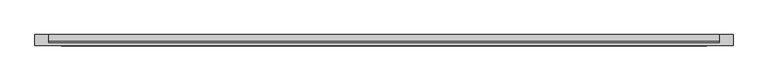
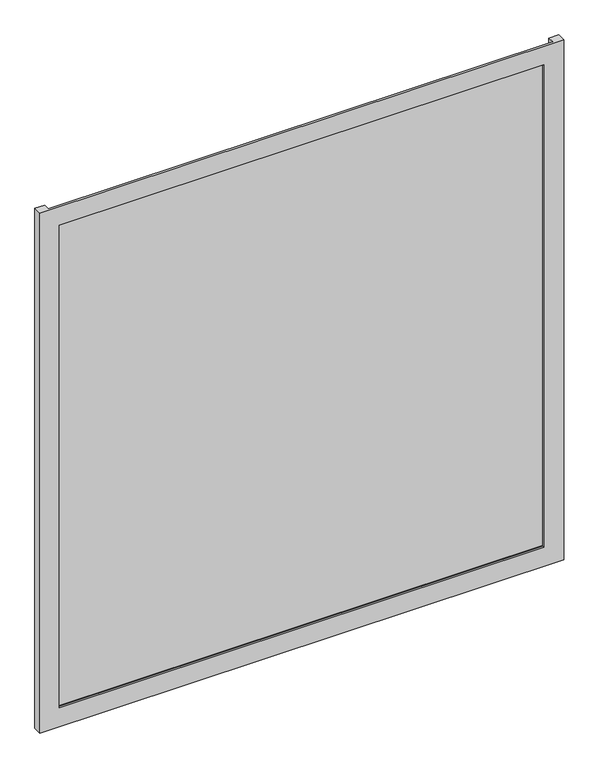
"""IFC4 building model written with IfcOpenShell, lengths in millimetres: plate geometry."""

from ifc_helpers import new_model, si_unit, origin, origin_with_axes, place, context, project, spatial, polyline, outline, extrude, faceted_brep, source, transform, mapped, element, save


def plate_b3aeba28(model_context):
    return source(origin(), model_context, "Body", "SolidModel", [
        faceted_brep([(662.5, -50.8, -50.0), (662.5, -71.8, -50.0), (-662.5, -71.8, -50.0), (-662.5, -50.8, -50.0), (-637.5, -50.8, -50.0), (-637.5, -66.8, -50.0), (637.5, -66.8, -50.0), (637.5, -50.8, -50.0), (612.5, -71.8, 0.0), (612.5, -66.8, 0.0), (-612.5, -66.8, 0.0), (-612.5, -71.8, 0.0), (662.5, -71.8, 1340.0), (-662.5, -71.8, 1340.0), (-612.5, -71.8, 1290.0), (612.5, -71.8, 1290.0), (-637.5, -66.8, 1340.0), (637.5, -66.8, 1340.0), (612.5, -66.8, 1290.0), (-612.5, -66.8, 1290.0), (662.5, -50.8, 1340.0), (637.5, -50.8, 1340.0), (-637.5, -50.8, 1340.0), (-662.5, -50.8, 1340.0)], [[[0, 1, 2, 3, 4, 5, 6, 7]], [[8, 9, 10, 11]], [[12, 13, 2, 1], [11, 14, 15, 8]], [[16, 17, 6, 5], [9, 18, 19, 10]], [[20, 21, 17, 16, 22, 23, 13, 12]], [[20, 0, 7, 21]], [[21, 7, 6, 17]], [[8, 15, 18, 9]], [[12, 1, 0, 20]], [[22, 4, 3, 23]], [[16, 5, 4, 22]], [[10, 19, 14, 11]], [[23, 3, 2, 13]], [[18, 15, 14, 19]]]),
        extrude(outline(polyline([(637.5, -50.8), (637.5, -63.2), (-637.5, -63.2), (-637.5, -50.8), (637.5, -50.8)])), origin_with_axes(), (0.0, 0.0, 1.0), 1290.0),
    ])


if __name__ == "__main__":
    model = new_model("IFC4")
    model_context = context("Model", 3, world=origin())
    ifc_project = project(units=[si_unit("LENGTHUNIT", "METRE", prefix="MILLI")], contexts=[model_context])
    site = spatial("IfcSite", under=ifc_project)
    building = spatial("IfcBuilding", under=site)
    placement = place(None, origin())
    plate_shape = plate_b3aeba28(model_context)
    element("IfcPlate", 1, at=placement, inside=building, context=model_context, shape_type="MappedRepresentation", body=[
        mapped(plate_shape, transform((0.0, 0.0, 0.0), x_axis=(1.0, 0.0, 0.0), y_axis=(0.0, 1.0, 0.0), z_axis=(0.0, 0.0, 1.0))),
    ])
    save(model, "model.ifc")
